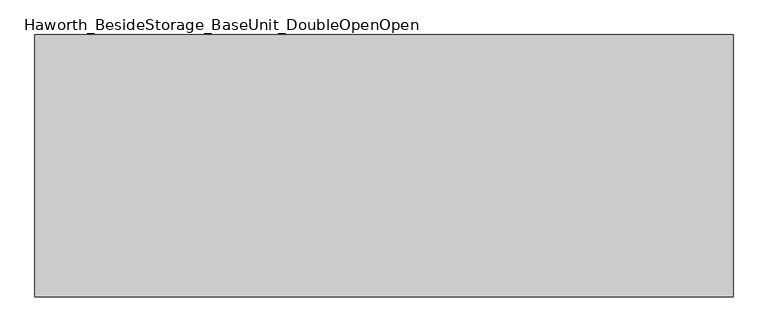
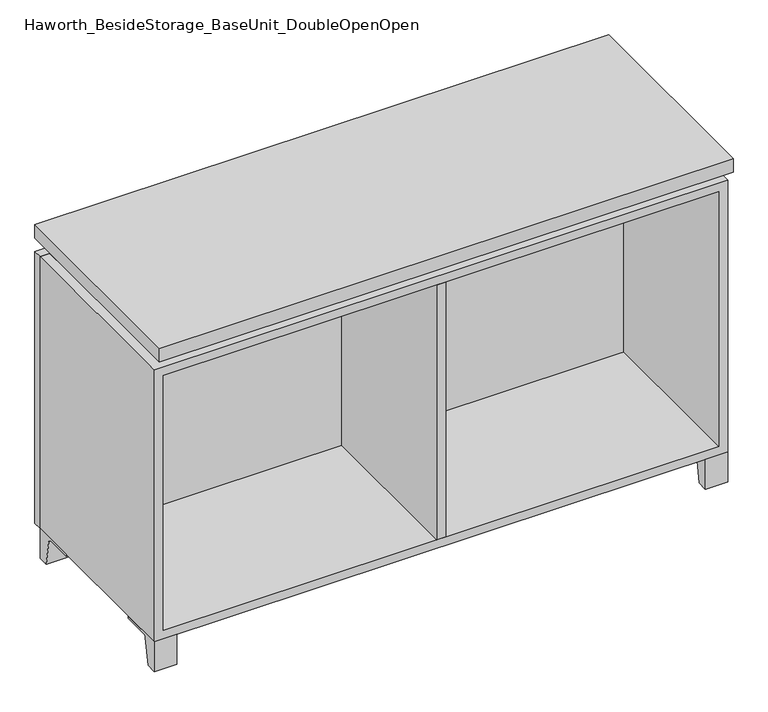
"""IFC4 building model written with IfcOpenShell, lengths in millimetres: furniture geometry, Haworth_BesideStorage_BaseUnit_DoubleOpenOpen."""

from ifc_helpers import new_model, si_unit, point, frame, frame_2d, origin, place, context, project, spatial, polyline, circle_curve, trimmed, segment, composite_curve, outline, extrude, faceted_brep, source, transform, mapped, element, save


def haworth_besidestorage_baseunit_doubleopenopen_fea75e10(model_context):
    return source(origin(), model_context, "Body", "SolidModel", [
        extrude(outline(composite_curve([segment(polyline([(44.9791531, 0.0), (22.225, 0.0), (22.225, 66.675), (117.475, 66.675), (117.475, 61.8963321), (60.6744655, 61.8963321)]), True, "CONTINUOUS"), segment(trimmed(circle_curve(frame_2d((60.6744655, 55.5463321)), 6.35), [point((60.6744655, 61.8963321))], [point((54.4108641, 56.5902656))], True, "CARTESIAN"), True, "CONTINUOUS"), segment(polyline([(54.4108641, 56.5902656), (44.9791531, 0.0)]), True, "CONTINUOUS")], self_intersect=False)), frame((-23.7986094, 0.0, 0.0), z_axis=(1.0, 0.0, 0.0), x_axis=(0.0, 1.0, 0.0)), (0.0, 0.0, 1.0), 47.625),
        extrude(outline(composite_curve([segment(polyline([(-123.2958469, 0.0), (-146.05, 0.0), (-146.05, 66.675), (-50.8, 66.675), (-50.8, 61.8963321), (-107.6005345, 61.8963321)]), True, "CONTINUOUS"), segment(trimmed(circle_curve(frame_2d((-107.6005345, 55.5463321)), 6.35), [point((-107.6005345, 61.8963321))], [point((-113.8641359, 56.5902656))], True, "CARTESIAN"), True, "CONTINUOUS"), segment(polyline([(-113.8641359, 56.5902656), (-123.2958469, 0.0)]), True, "CONTINUOUS")], self_intersect=False)), frame((560.4013906, 0.0, 0.0), z_axis=(1.0, 0.0, 0.0), x_axis=(0.0, 1.0, 0.0)), (0.0, 0.0, 1.0), 47.625),
        extrude(outline(composite_curve([segment(polyline([(250.2958469, 0.0), (240.8641359, 56.5902656)]), True, "CONTINUOUS"), segment(trimmed(circle_curve(frame_2d((234.6005345, 55.5463321)), 6.35), [point((240.8641359, 56.5902656))], [point((234.6005345, 61.8963321))], True, "CARTESIAN"), True, "CONTINUOUS"), segment(polyline([(234.6005345, 61.8963321), (177.8, 61.8963321), (177.8, 66.675), (273.05, 66.675), (273.05, 0.0), (250.2958469, 0.0)]), True, "CONTINUOUS")], self_intersect=False)), frame((560.4013906, 0.0, 0.0), z_axis=(1.0, 0.0, 0.0), x_axis=(0.0, 1.0, 0.0)), (0.0, 0.0, 1.0), 47.625),
        extrude(outline(composite_curve([segment(polyline([(-123.2958469, 0.0), (-146.05, 0.0), (-146.05, 66.675), (-50.8, 66.675), (-50.8, 61.8963321), (-107.6005345, 61.8963321)]), True, "CONTINUOUS"), segment(trimmed(circle_curve(frame_2d((-107.6005345, 55.5463321)), 6.35), [point((-107.6005345, 61.8963321))], [point((-113.8641359, 56.5902656))], True, "CARTESIAN"), True, "CONTINUOUS"), segment(polyline([(-113.8641359, 56.5902656), (-123.2958469, 0.0)]), True, "CONTINUOUS")], self_intersect=False)), frame((-607.9986094, 0.0, 0.0), z_axis=(1.0, 0.0, 0.0), x_axis=(0.0, 1.0, 0.0)), (0.0, 0.0, 1.0), 47.625),
        extrude(outline(composite_curve([segment(polyline([(250.2958469, 0.0), (240.8641359, 56.5902656)]), True, "CONTINUOUS"), segment(trimmed(circle_curve(frame_2d((234.6005345, 55.5463321)), 6.35), [point((240.8641359, 56.5902656))], [point((234.6005345, 61.8963321))], True, "CARTESIAN"), True, "CONTINUOUS"), segment(polyline([(234.6005345, 61.8963321), (177.8, 61.8963321), (177.8, 66.675), (273.05, 66.675), (273.05, 0.0), (250.2958469, 0.0)]), True, "CONTINUOUS")], self_intersect=False)), frame((-607.9986094, 0.0, 0.0), z_axis=(1.0, 0.0, 0.0), x_axis=(0.0, 1.0, 0.0)), (0.0, 0.0, 1.0), 47.625),
        faceted_brep([(-607.9986094, -146.05, 66.675), (608.0125, -146.05, 66.675), (608.0125, -146.05, 676.275), (-607.9986094, -146.05, 676.275), (-588.9486094, -146.05, 85.725), (-588.9486094, -146.05, 657.225), (588.9694453, -146.05, 657.225), (588.9486094, -146.05, 85.725), (-607.9986094, 273.05, 66.675), (-607.9986094, 273.05, 676.275), (-588.9486094, 273.05, 676.275), (-588.9486094, 273.05, 85.725), (588.9486094, 273.05, 85.725), (588.9486094, 273.05, 676.275), (608.0125, 273.05, 676.275), (608.0125, 273.05, 66.675), (588.9486094, 247.65, 676.275), (-588.9416641, 247.65, 676.275), (-588.9486094, 247.65, 657.225), (588.9486094, 247.65, 657.225)], [[[0, 1, 2, 3], [4, 5, 6, 7]], [[8, 9, 10, 11, 12, 13, 14, 15]], [[1, 0, 8, 15]], [[2, 1, 15, 14]], [[3, 2, 14, 13, 16, 17, 10, 9]], [[0, 3, 9, 8]], [[11, 10, 17, 18, 5, 4]], [[13, 12, 7, 6, 19, 16]], [[4, 7, 12, 11]], [[6, 5, 18, 19]], [[17, 16, 19, 18]]]),
        extrude(outline(polyline([(608.0263906, -165.1), (-607.9986094, -165.1), (-607.9986094, 292.1), (608.0263906, 292.1), (608.0263906, -165.1)])), frame((0.0, 0.0, 706.4375), z_axis=(0.0, 0.0, 1.0), x_axis=(1.0, 0.0, 0.0)), (0.0, 0.0, 1.0), 30.1625),
        faceted_brep([(7.9513906, -69.85, 706.4375), (7.9513906, -69.85, 676.275), (7.9513906, 53.975, 676.275), (7.9513906, 53.975, 706.4375), (7.9513906, 196.85, 676.275), (7.9513906, 196.85, 706.4375), (7.9513906, 73.025, 706.4375), (7.9513906, 73.025, 676.275), (-7.9236094, 196.85, 706.4375), (-7.9236094, 196.85, 676.275), (-7.9236094, 73.025, 676.275), (-7.9236094, 73.025, 706.4375), (-7.9236094, -69.85, 676.275), (-7.9236094, -69.85, 706.4375), (-7.9236094, 53.975, 706.4375), (-7.9236094, 53.975, 676.275), (-566.6958281, 73.025, 706.4375), (-566.7166641, 247.65, 706.4375), (-582.5916641, 247.65, 706.4375), (-582.5916641, -120.65, 706.4375), (-566.7166641, -120.65, 706.4375), (-566.7166641, 53.975, 706.4375), (566.7236094, 53.975, 706.4375), (566.7236094, -120.65, 706.4375), (582.5986094, -120.65, 706.4375), (582.5986094, 247.65, 706.4375), (566.7236094, 247.65, 706.4375), (566.7236094, 73.025, 706.4375), (-566.6958281, 53.975, 676.275), (-566.7166641, -120.65, 676.275), (-582.5916641, -120.65, 676.275), (-582.5916641, 247.65, 676.275), (-566.7166641, 247.65, 676.275), (-566.7166641, 73.025, 676.275), (566.7236094, 73.025, 676.275), (566.7236094, 247.65, 676.275), (582.5986094, 247.65, 676.275), (582.5986094, -120.65, 676.275), (566.7236094, -120.65, 676.275), (566.7236094, 53.975, 676.275)], [[[0, 1, 2, 3]], [[4, 5, 6, 7]], [[8, 9, 10, 11]], [[12, 13, 14, 15]], [[5, 8, 11, 16, 17, 18, 19, 20, 21, 14, 13, 0, 3, 22, 23, 24, 25, 26, 27, 6]], [[1, 12, 15, 28, 29, 30, 31, 32, 33, 10, 9, 4, 7, 34, 35, 36, 37, 38, 39, 2]], [[5, 4, 9, 8]], [[1, 0, 13, 12]], [[6, 27, 34, 7]], [[22, 3, 2, 39]], [[20, 29, 28, 21]], [[32, 17, 16, 33]], [[18, 31, 30, 19]], [[29, 20, 19, 30]], [[17, 32, 31, 18]], [[26, 35, 34, 27]], [[38, 23, 22, 39]], [[25, 24, 37, 36]], [[23, 38, 37, 24]], [[35, 26, 25, 36]], [[16, 11, 10, 33]], [[14, 21, 28, 15]]]),
        extrude(outline(polyline([(9.5388906, 203.2), (9.5388906, -146.05), (-9.5111094, -146.05), (-9.5111094, 203.2), (9.5388906, 203.2)])), frame((0.0, 0.0, 85.725), z_axis=(0.0, 0.0, 1.0), x_axis=(1.0, 0.0, 0.0)), (0.0, 0.0, 1.0), 571.5),
        extrude(outline(polyline([(608.0263906, 273.05), (-607.9986094, 273.05), (-607.9986094, 292.1), (608.0263906, 292.1), (608.0263906, 273.05)])), frame((0.0, 0.0, 66.675), z_axis=(0.0, 0.0, 1.0), x_axis=(1.0, 0.0, 0.0)), (0.0, 0.0, 1.0), 609.6),
        extrude(outline(polyline([(-588.9416641, 203.2), (-588.9416641, 209.55), (588.9694453, 209.55), (588.9694453, 203.2), (-588.9416641, 203.2)])), frame((0.0, 0.0, 85.725), z_axis=(0.0, 0.0, 1.0), x_axis=(1.0, 0.0, 0.0)), (0.0, 0.0, 1.0), 571.5),
    ])


if __name__ == "__main__":
    model = new_model("IFC4")
    model_context = context("Model", 3, world=origin())
    ifc_project = project(units=[si_unit("LENGTHUNIT", "METRE", prefix="MILLI")], contexts=[model_context])
    site = spatial("IfcSite", under=ifc_project)
    building = spatial("IfcBuilding", under=site)
    placement = place(None, origin())
    haworth_besidestorage_baseunit_doubleopenopen_shape = haworth_besidestorage_baseunit_doubleopenopen_fea75e10(model_context)
    element("IfcFurniture", 1, ObjectType="Haworth_BesideStorage_BaseUnit_DoubleOpenOpen", at=placement, inside=building, context=model_context, shape_type="MappedRepresentation", body=[
        mapped(haworth_besidestorage_baseunit_doubleopenopen_shape, transform((0.0, 0.0, 0.0), x_axis=(1.0, 0.0, 0.0), y_axis=(0.0, 1.0, 0.0), z_axis=(0.0, 0.0, 1.0))),
    ])
    save(model, "model.ifc")
